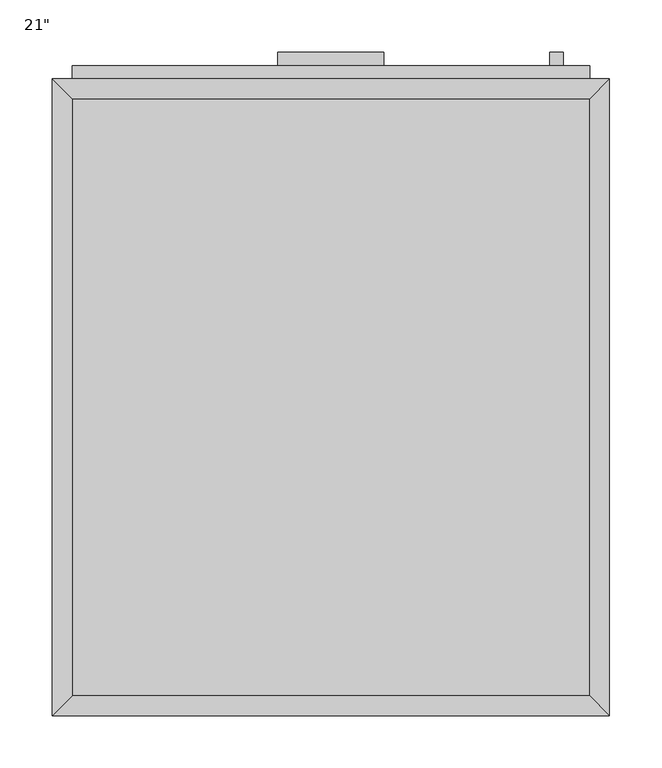
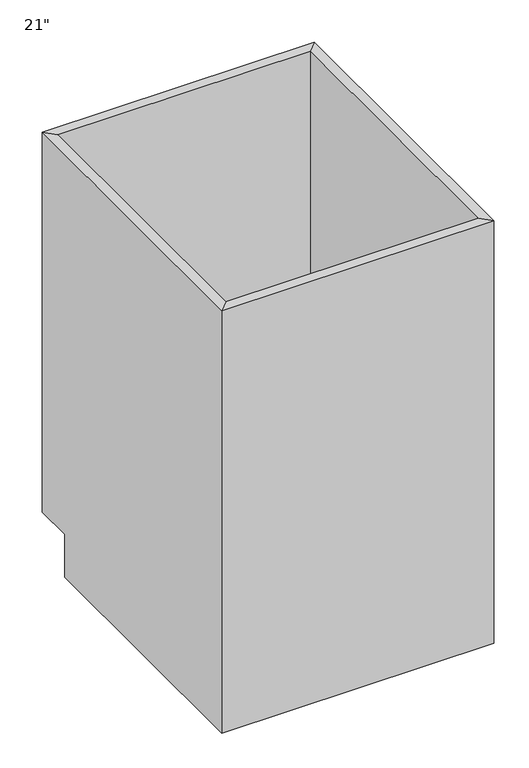
"""IFC4 building model written with IfcOpenShell, lengths in millimetres: furniture geometry."""

from ifc_helpers import new_model, si_unit, frame, origin, place, context, project, spatial, polyline, outline, extrude, faceted_brep, source, transform, mapped, element, save


def furniture_34befc92(model_context):
    return source(origin(), model_context, "Body", "SolidModel", [
        faceted_brep([(266.3877049, 590.55, 876.3), (-228.9122951, 590.55, 876.3), (-228.9122951, 590.55, 88.9), (266.3877049, 590.55, 88.9), (285.4377049, 609.6, 876.3), (-247.9622951, 609.6, 876.3), (285.4377049, 609.6, 88.9), (-247.9622951, 609.6, 88.9), (-228.9122951, 19.05, 876.3), (-228.9122951, 19.05, 88.9), (-228.9122951, 533.4, 88.9), (-247.9622951, 0.0, 876.3), (-247.9622951, 533.4, 88.9), (-247.9622951, 533.4, 0.0), (-247.9622951, 0.0, 0.0), (266.3877049, 19.05, 876.3), (266.3877049, 19.05, 88.9), (285.4377049, 0.0, 876.3), (285.4377049, 0.0, 0.0), (266.3877049, 533.4, 88.9), (285.4377049, 533.4, 0.0), (285.4377049, 533.4, 88.9)], [[[0, 1, 2, 3]], [[0, 4, 5, 1]], [[4, 6, 7, 5]], [[2, 7, 6, 3]], [[1, 8, 9, 10, 2]], [[5, 11, 8, 1]], [[7, 12, 13, 14, 11, 5]], [[2, 10, 12, 7]], [[8, 15, 16, 9]], [[11, 17, 15, 8]], [[14, 18, 17, 11]], [[3, 19, 16, 15, 0]], [[0, 15, 17, 4]], [[4, 17, 18, 20, 21, 6]], [[6, 21, 19, 3]], [[10, 9, 16, 19]], [[18, 14, 13, 20]], [[13, 12, 10, 19, 21, 20]]]),
        extrude(outline(polyline([(240.9877049, 635.0), (240.9877049, 622.3), (228.2877049, 622.3), (228.2877049, 635.0), (240.9877049, 635.0)])), frame((0.0, 0.0, 596.9), z_axis=(0.0, 0.0, 1.0), x_axis=(1.0, 0.0, 0.0)), (0.0, 0.0, 1.0), 101.6),
        extrude(outline(polyline([(69.5377049, 635.0), (69.5377049, 622.3), (-32.0622951, 622.3), (-32.0622951, 635.0), (69.5377049, 635.0)])), frame((0.0, 0.0, 819.15), z_axis=(0.0, 0.0, 1.0), x_axis=(1.0, 0.0, 0.0)), (0.0, 0.0, 1.0), 12.7),
        extrude(outline(polyline([(266.3877049, 622.3), (266.3877049, 609.6), (-228.9122951, 609.6), (-228.9122951, 622.3), (266.3877049, 622.3)])), frame((0.0, 0.0, 107.95), z_axis=(0.0, 0.0, 1.0), x_axis=(1.0, 0.0, 0.0)), (0.0, 0.0, 1.0), 628.65),
        extrude(outline(polyline([(266.3877049, 622.3), (266.3877049, 609.6), (-228.9122951, 609.6), (-228.9122951, 622.3), (266.3877049, 622.3)])), frame((0.0, 0.0, 755.65), z_axis=(0.0, 0.0, 1.0), x_axis=(1.0, 0.0, 0.0)), (0.0, 0.0, 1.0), 101.6),
        extrude(outline(polyline([(266.3877049, 19.05), (-228.9122951, 19.05), (-228.9122951, 590.55), (266.3877049, 590.55), (266.3877049, 19.05)])), frame((0.0, 0.0, 88.9), z_axis=(0.0, 0.0, 1.0), x_axis=(1.0, 0.0, 0.0)), (0.0, 0.0, 1.0), 19.05),
    ])


if __name__ == "__main__":
    model = new_model("IFC4")
    model_context = context("Model", 3, world=origin())
    ifc_project = project(units=[si_unit("LENGTHUNIT", "METRE", prefix="MILLI")], contexts=[model_context])
    site = spatial("IfcSite", under=ifc_project)
    building = spatial("IfcBuilding", under=site)
    placement = place(None, origin())
    furniture_shape = furniture_34befc92(model_context)
    element("IfcFurniture", 1, ObjectType="21\"", at=placement, inside=building, context=model_context, shape_type="MappedRepresentation", body=[
        mapped(furniture_shape, transform((0.0, 0.0, 0.0), x_axis=(1.0, 0.0, 0.0), y_axis=(0.0, 1.0, 0.0), z_axis=(0.0, 0.0, 1.0))),
    ])
    save(model, "model.ifc")
